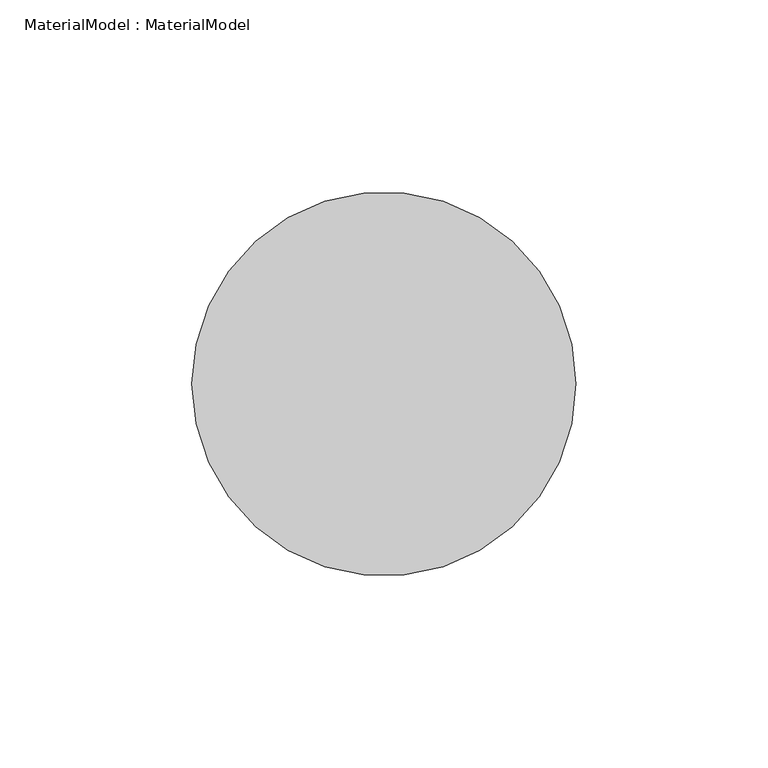
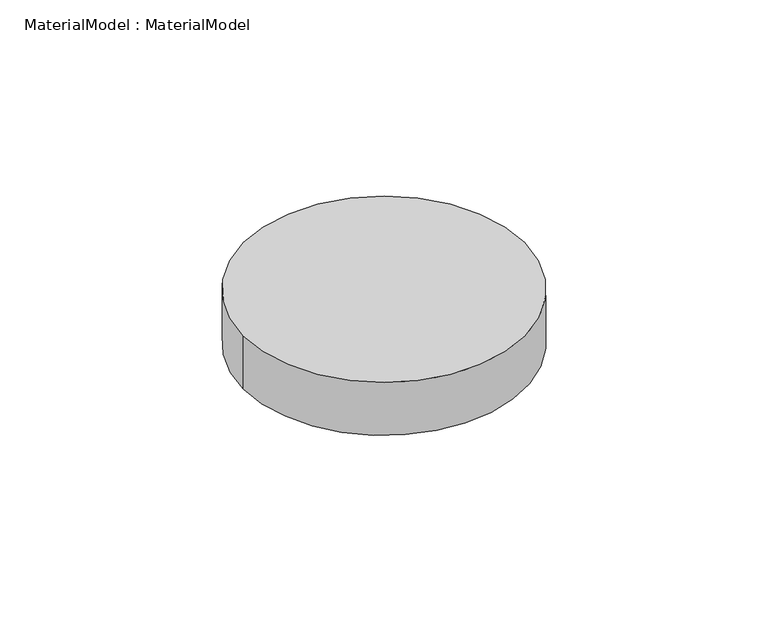
"""IFC4 building model written with IfcOpenShell, lengths in millimetres: proxy geometry, MaterialModel : MaterialModel."""

from ifc_helpers import new_model, si_unit, point, origin, origin_with_axes, origin_2d, place, context, project, spatial, circle_curve, trimmed, segment, composite_curve, outline, extrude, source, transform, mapped, element, save


def materialmodel_materialmodel_58669afb(model_context):
    return source(origin(), model_context, "Body", "SweptSolid", [
        extrude(outline(composite_curve([segment(trimmed(circle_curve(origin_2d(), 50.0), [point((-50.0, 0.0))], [point((50.0, 0.0))], False, "CARTESIAN"), True, "CONTINUOUS"), segment(trimmed(circle_curve(origin_2d(), 50.0), [point((50.0, 0.0))], [point((-50.0, 0.0))], False, "CARTESIAN"), True, "CONTINUOUS")], self_intersect=False)), origin_with_axes(), (0.0, 0.0, 1.0), 20.0),
    ])


if __name__ == "__main__":
    model = new_model("IFC4")
    model_context = context("Model", 3, world=origin())
    ifc_project = project(units=[si_unit("LENGTHUNIT", "METRE", prefix="MILLI")], contexts=[model_context])
    site = spatial("IfcSite", under=ifc_project)
    building = spatial("IfcBuilding", under=site)
    placement = place(None, origin())
    materialmodel_materialmodel_shape = materialmodel_materialmodel_58669afb(model_context)
    element("IfcBuildingElementProxy", 1, Name="MaterialModel : MaterialModel", ObjectType="MaterialModel : MaterialModel", at=placement, inside=building, context=model_context, shape_type="MappedRepresentation", body=[
        mapped(materialmodel_materialmodel_shape, transform((0.0, 0.0, 0.0), x_axis=(1.0, 0.0, 0.0), y_axis=(0.0, 1.0, 0.0), z_axis=(0.0, 0.0, 1.0))),
    ])
    save(model, "model.ifc")
